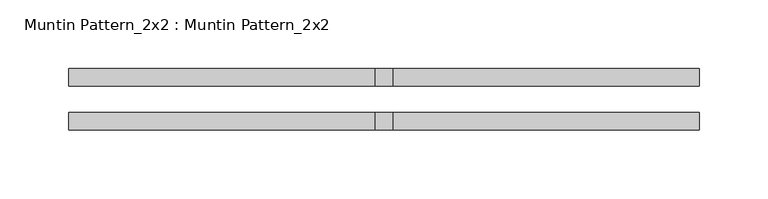
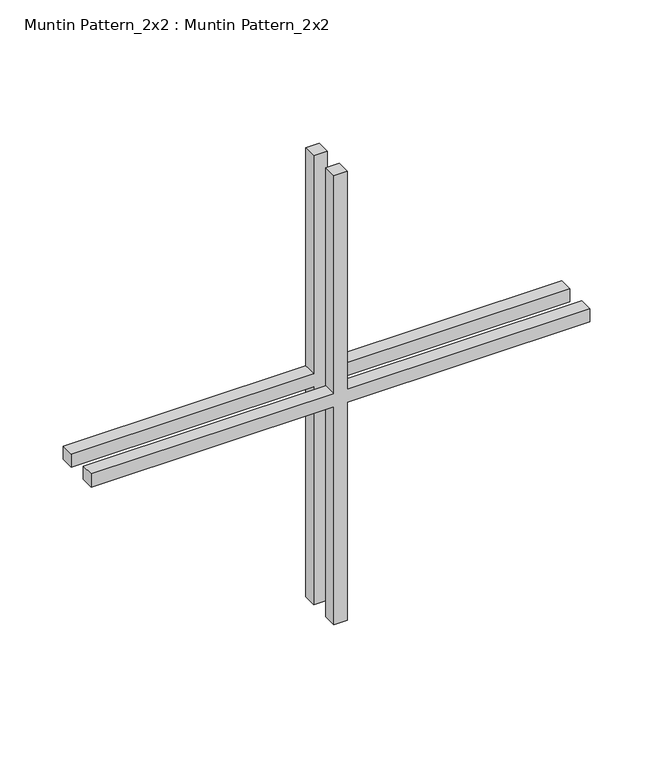
"""IFC4 building model written with IfcOpenShell, lengths in millimetres: proxy geometry, Muntin Pattern_2x2 : Muntin Pattern_2x2."""

from ifc_helpers import new_model, si_unit, frame, origin, place, context, project, spatial, polyline, outline, extrude, source, transform, mapped, element, save


def muntin_pattern_2x2_muntin_pattern_2x2_eba6c5fb(model_context):
    return source(origin(), model_context, "Body", "SweptSolid", [
        extrude(outline(polyline([(223.8375, -6.35), (223.8375, -228.6), (211.1375, -228.6), (211.1375, -6.35), (0.0, -6.35), (0.0, 6.35), (211.1375, 6.35), (211.1375, 228.6), (223.8375, 228.6), (223.8375, 6.35), (434.975, 6.35), (434.975, -6.35), (223.8375, -6.35)])), frame((0.0, 9.525, 0.0), z_axis=(0.0, 1.0, 0.0), x_axis=(0.0, 0.0, 1.0)), (0.0, 0.0, 1.0), 12.7),
        extrude(outline(polyline([(223.8375, -6.35), (223.8375, -228.6), (211.1375, -228.6), (211.1375, -6.35), (0.0, -6.35), (0.0, 6.35), (211.1375, 6.35), (211.1375, 228.6), (223.8375, 228.6), (223.8375, 6.35), (434.975, 6.35), (434.975, -6.35), (223.8375, -6.35)])), frame((0.0, -22.225, 0.0), z_axis=(0.0, 1.0, 0.0), x_axis=(0.0, 0.0, 1.0)), (0.0, 0.0, 1.0), 12.7),
    ])


if __name__ == "__main__":
    model = new_model("IFC4")
    model_context = context("Model", 3, world=origin())
    ifc_project = project(units=[si_unit("LENGTHUNIT", "METRE", prefix="MILLI")], contexts=[model_context])
    site = spatial("IfcSite", under=ifc_project)
    building = spatial("IfcBuilding", under=site)
    placement = place(None, origin())
    muntin_pattern_2x2_muntin_pattern_2x2_shape = muntin_pattern_2x2_muntin_pattern_2x2_eba6c5fb(model_context)
    element("IfcBuildingElementProxy", 1, Name="Muntin Pattern_2x2 : Muntin Pattern_2x2", ObjectType="Muntin Pattern_2x2 : Muntin Pattern_2x2", at=placement, inside=building, context=model_context, shape_type="MappedRepresentation", body=[
        mapped(muntin_pattern_2x2_muntin_pattern_2x2_shape, transform((0.0, 0.0, 0.0), x_axis=(1.0, 0.0, 0.0), y_axis=(0.0, 1.0, 0.0), z_axis=(0.0, 0.0, 1.0))),
    ])
    save(model, "model.ifc")
